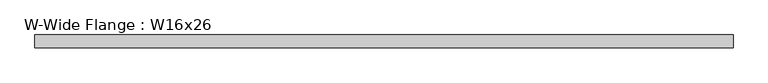
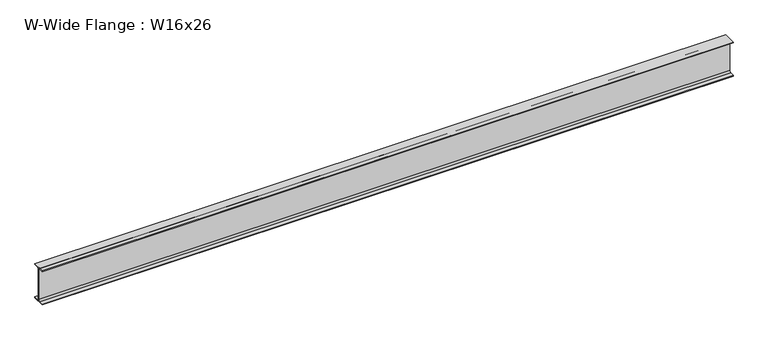
"""IFC4 building model written with IfcOpenShell, lengths in millimetres: beam geometry, W-Wide Flange : W16x26."""

from ifc_helpers import new_model, si_unit, point, frame, frame_2d, origin, place, context, project, spatial, polyline, circle_curve, trimmed, segment, composite_curve, outline, extrude, source, transform, mapped, element, save


def w_wide_flange_w16x26_b4eab409(model_context):
    return source(origin(), model_context, "Body", "SweptSolid", [
        extrude(outline(composite_curve([segment(polyline([(69.85, -190.627), (69.85, -199.39), (-69.85, -199.39), (-69.85, -190.627), (-21.3995, -190.627)]), True, "CONTINUOUS"), segment(trimmed(circle_curve(frame_2d((-21.3995, -172.4025)), 18.2245), [point((-21.3995, -190.627))], [point((-3.175, -172.4025))], True, "CARTESIAN"), True, "CONTINUOUS"), segment(polyline([(-3.175, -172.4025), (-3.175, 172.4025)]), True, "CONTINUOUS"), segment(trimmed(circle_curve(frame_2d((-21.3995, 172.4025)), 18.2245), [point((-3.175, 172.4025))], [point((-21.3995, 190.627))], True, "CARTESIAN"), True, "CONTINUOUS"), segment(polyline([(-21.3995, 190.627), (-69.85, 190.627), (-69.85, 199.39), (69.85, 199.39), (69.85, 190.627), (21.3995, 190.627)]), True, "CONTINUOUS"), segment(trimmed(circle_curve(frame_2d((21.3995, 172.4025)), 18.2245), [point((21.3995, 190.627))], [point((3.175, 172.4025))], True, "CARTESIAN"), True, "CONTINUOUS"), segment(polyline([(3.175, 172.4025), (3.175, -172.4025)]), True, "CONTINUOUS"), segment(trimmed(circle_curve(frame_2d((21.3995, -172.4025)), 18.2245), [point((3.175, -172.4025))], [point((21.3995, -190.627))], True, "CARTESIAN"), True, "CONTINUOUS"), segment(polyline([(21.3995, -190.627), (69.85, -190.627)]), True, "CONTINUOUS")], self_intersect=False)), frame((-3847.9165107, 0.0, 0.0), z_axis=(1.0, 0.0, 0.0), x_axis=(0.0, 1.0, 0.0)), (0.0, 0.0, 1.0), 7687.5500684),
    ])


if __name__ == "__main__":
    model = new_model("IFC4")
    model_context = context("Model", 3, world=origin())
    ifc_project = project(units=[si_unit("LENGTHUNIT", "METRE", prefix="MILLI")], contexts=[model_context])
    site = spatial("IfcSite", under=ifc_project)
    building = spatial("IfcBuilding", under=site)
    placement = place(None, origin())
    w_wide_flange_w16x26_shape = w_wide_flange_w16x26_b4eab409(model_context)
    element("IfcBeam", 1, ObjectType="W-Wide Flange : W16x26", at=placement, inside=building, context=model_context, shape_type="MappedRepresentation", body=[
        mapped(w_wide_flange_w16x26_shape, transform((0.0, 0.0, 0.0), x_axis=(1.0, 0.0, 0.0), y_axis=(0.0, 1.0, 0.0), z_axis=(0.0, 0.0, 1.0))),
    ])
    save(model, "model.ifc")
